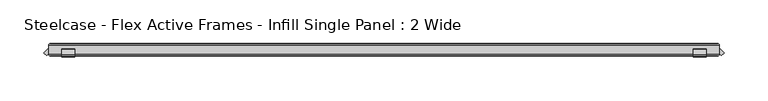
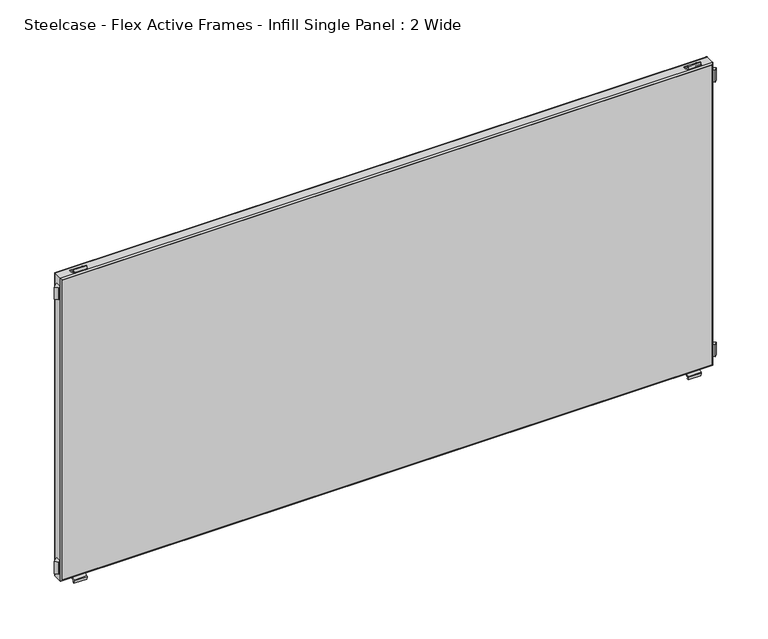
"""IFC4 building model written with IfcOpenShell, lengths in millimetres: furniture geometry, Steelcase - Flex Active Frames - Infill Single Panel : 2 Wide."""

from ifc_helpers import new_model, si_unit, point, frame, frame_2d, origin, place, context, project, spatial, polyline, circle_curve, ellipse_curve, trimmed, segment, composite_curve, outline, extrude, source, transform, mapped, element, save
from ifc_brep_helpers import plane_surface, cylinder_surface, advanced_brep


def steelcase_flex_active_frames_infill_single_panel_2_wide_625de233(model_context):
    return source(origin(), model_context, "Body", "SolidModel", [
        extrude(outline(composite_curve([segment(polyline([(5.9111802, 381.5885542), (-0.8975617, 384.065656)]), True, "CONTINUOUS"), segment(trimmed(circle_curve(frame_2d((-0.6921967, 384.6301374)), 0.6006779), [point((-0.8975617, 384.065656))], [point((-1.2842404, 384.7316172))], False, "CARTESIAN"), True, "CONTINUOUS"), segment(polyline([(-1.2842404, 384.7316172), (-0.6936424, 388.1772262), (0.7999207, 387.9155571), (0.4119794, 385.7147232)]), True, "CONTINUOUS"), segment(trimmed(circle_curve(frame_2d((1.0061566, 385.6099875)), 0.6033374), [point((0.4119794, 385.7147232))], [point((0.8009038, 385.0426363))], True, "CARTESIAN"), True, "CONTINUOUS"), segment(polyline([(0.8009038, 385.0426363), (7.3392807, 382.6772232)]), True, "CONTINUOUS"), segment(trimmed(circle_curve(frame_2d((6.994052, 381.7229562)), 1.0147947), [point((7.3392807, 382.6772232))], [point((7.999907, 381.5885542))], False, "CARTESIAN"), True, "CONTINUOUS"), segment(polyline([(7.999907, 381.5885542), (5.9111802, 381.5885542)]), True, "CONTINUOUS")], self_intersect=False)), frame((734.5162997, 0.0, 0.0), z_axis=(1.0, 0.0, 0.0), x_axis=(0.0, 1.0, 0.0)), (0.0, 0.0, 1.0), 15.0034447),
        extrude(outline(composite_curve([segment(polyline([(5.9110829, 6.5887186), (7.9997063, 6.5887186)]), True, "CONTINUOUS"), segment(trimmed(circle_curve(frame_2d((6.9941469, 6.4541073)), 1.0145294), [point((7.9997063, 6.5887186))], [point((7.3392807, 5.5000882))], False, "CARTESIAN"), True, "CONTINUOUS"), segment(polyline([(7.3392807, 5.5000882), (0.7777558, 3.1263368)]), True, "CONTINUOUS"), segment(trimmed(circle_curve(frame_2d((0.9730442, 2.5865202)), 0.5740553), [point((0.7777558, 3.1263368))], [point((0.4077045, 2.4868687))], True, "CARTESIAN"), True, "CONTINUOUS"), segment(polyline([(0.4077045, 2.4868687), (0.7999445, 0.2616253), (-0.6935028, -2.35e-05), (-1.2816187, 3.4297567)]), True, "CONTINUOUS"), segment(trimmed(circle_curve(frame_2d((-0.6705511, 3.5345385)), 0.6199861), [point((-1.2816187, 3.4297567))], [point((-0.8825145, 4.1171655))], False, "CARTESIAN"), True, "CONTINUOUS"), segment(polyline([(-0.8825145, 4.1171655), (5.9110829, 6.5887186)]), True, "CONTINUOUS")], self_intersect=False)), frame((734.5162997, 0.0, 0.0), z_axis=(1.0, 0.0, 0.0), x_axis=(0.0, 1.0, 0.0)), (0.0, 0.0, 1.0), 15.0034447),
        extrude(outline(composite_curve([segment(polyline([(5.9111802, 381.5885542), (-0.8975617, 384.065656)]), True, "CONTINUOUS"), segment(trimmed(circle_curve(frame_2d((-0.6921967, 384.6301374)), 0.6006779), [point((-0.8975617, 384.065656))], [point((-1.2842404, 384.7316172))], False, "CARTESIAN"), True, "CONTINUOUS"), segment(polyline([(-1.2842404, 384.7316172), (-0.6936424, 388.1772262), (0.7999207, 387.9155571), (0.4119794, 385.7147232)]), True, "CONTINUOUS"), segment(trimmed(circle_curve(frame_2d((1.0061566, 385.6099875)), 0.6033374), [point((0.4119794, 385.7147232))], [point((0.8009038, 385.0426363))], True, "CARTESIAN"), True, "CONTINUOUS"), segment(polyline([(0.8009038, 385.0426363), (7.3392807, 382.6772232)]), True, "CONTINUOUS"), segment(trimmed(circle_curve(frame_2d((6.994052, 381.7229562)), 1.0147947), [point((7.3392807, 382.6772232))], [point((7.999907, 381.5885542))], False, "CARTESIAN"), True, "CONTINUOUS"), segment(polyline([(7.999907, 381.5885542), (5.9111802, 381.5885542)]), True, "CONTINUOUS")], self_intersect=False)), frame((15.0199771, 0.0, 0.0), z_axis=(1.0, 0.0, 0.0), x_axis=(0.0, 1.0, 0.0)), (0.0, 0.0, 1.0), 15.0034326),
        extrude(outline(composite_curve([segment(polyline([(5.9110829, 6.5887186), (7.9997063, 6.5887186)]), True, "CONTINUOUS"), segment(trimmed(circle_curve(frame_2d((6.9941469, 6.4541073)), 1.0145294), [point((7.9997063, 6.5887186))], [point((7.3392807, 5.5000882))], False, "CARTESIAN"), True, "CONTINUOUS"), segment(polyline([(7.3392807, 5.5000882), (0.7777558, 3.1263368)]), True, "CONTINUOUS"), segment(trimmed(circle_curve(frame_2d((0.9730442, 2.5865202)), 0.5740553), [point((0.7777558, 3.1263368))], [point((0.4077045, 2.4868687))], True, "CARTESIAN"), True, "CONTINUOUS"), segment(polyline([(0.4077045, 2.4868687), (0.7999445, 0.2616253), (-0.6935028, -2.35e-05), (-1.2816187, 3.4297567)]), True, "CONTINUOUS"), segment(trimmed(circle_curve(frame_2d((-0.6705511, 3.5345385)), 0.6199861), [point((-1.2816187, 3.4297567))], [point((-0.8825145, 4.1171655))], False, "CARTESIAN"), True, "CONTINUOUS"), segment(polyline([(-0.8825145, 4.1171655), (5.9110829, 6.5887186)]), True, "CONTINUOUS")], self_intersect=False)), frame((15.0199771, 0.0, 0.0), z_axis=(1.0, 0.0, 0.0), x_axis=(0.0, 1.0, 0.0)), (0.0, 0.0, 1.0), 15.0034326),
        extrude(outline(polyline([(764.54, 2.5030965), (764.54, 7.9998993), (765.5774367, 7.9998993), (769.9843382, 3.5722626), (766.7436446, 0.3282745), (764.54, 2.5030965)])), frame((0.0, 0.0, 16.6556237), z_axis=(0.0, 0.0, 1.0), x_axis=(1.0, 0.0, 0.0)), (0.0, 0.0, 1.0), 14.9643454),
        extrude(outline(polyline([(0.0, 7.9997055), (0.0, 2.5031537), (-2.2038989, 0.3280807), (-5.4446047, 3.5720566), (-1.0377395, 7.9997055), (0.0, 7.9997055)])), frame((0.0, 0.0, 16.6556237), z_axis=(0.0, 0.0, 1.0), x_axis=(1.0, 0.0, 0.0)), (0.0, 0.0, 1.0), 14.9643454),
        extrude(outline(polyline([(764.54, 2.5030965), (764.54, 7.9998993), (765.5774367, 7.9998993), (769.9843382, 3.5722626), (766.7436446, 0.3282745), (764.54, 2.5030965)])), frame((0.0, 0.0, 356.5573544), z_axis=(0.0, 0.0, 1.0), x_axis=(1.0, 0.0, 0.0)), (0.0, 0.0, 1.0), 14.9650265),
        extrude(outline(polyline([(0.0, 7.9997055), (0.0, 2.5031537), (-2.2038989, 0.3280807), (-5.4446047, 3.5720566), (-1.0377395, 7.9997055), (0.0, 7.9997055)])), frame((0.0, 0.0, 356.5573544), z_axis=(0.0, 0.0, 1.0), x_axis=(1.0, 0.0, 0.0)), (0.0, 0.0, 1.0), 14.9650265),
        extrude(outline(polyline([(762.6075623, 13.9997269), (762.6075623, 0.0), (1.9324377, 0.0), (1.9324377, 13.9997269), (762.6075623, 13.9997269)])), frame((0.0, 0.0, 8.5211562), z_axis=(0.0, 0.0, 1.0), x_axis=(1.0, 0.0, 0.0)), (0.0, 0.0, 1.0), 371.1349603),
        advanced_brep(
        [(0.0, 12.0672892, 381.5885542), (0.0, 12.0672892, 6.5887186), (0.0, 1.9324377, 6.5887186), (0.0, 1.9324377, 381.5885542), (1.9324377, 0.0, 379.6561165), (1.9324377, 0.0, 8.5211562), (1.9324377, 13.9997269, 8.5211562), (1.9324377, 13.9997269, 379.6561165), (764.54, 12.0672892, 6.5887186), (764.54, 1.9324377, 6.5887186), (762.6075623, 0.0, 8.5211562), (762.6075623, 13.9997269, 8.5211562), (764.54, 12.0672892, 381.5885542), (764.54, 1.9324377, 381.5885542), (762.6075623, 0.0, 379.6561165), (762.6075623, 13.9997269, 379.6561165)],
        [
            (0, 1),
            (1, 2),
            (2, 3),
            (3, 0),
            (4, 5),
            (5, 6),
            (6, 7),
            (7, 4),
            (1, 8),
            (8, 9),
            (9, 2),
            (5, 10),
            (10, 11),
            (11, 6),
            (8, 12),
            (12, 13),
            (13, 9),
            (10, 14),
            (14, 15),
            (15, 11),
            (12, 0),
            (3, 13),
            (14, 4),
            (7, 15),
            (2, 5, ellipse_curve(frame((1.9324377, 1.9324377, 8.5211562), z_axis=(-0.7071067811865475, 0.0, 0.7071067811865475), x_axis=(0.7071067811865474, 0.0, 0.7071067811865476)), 2.7328796, 1.9324377)),
            (4, 3, ellipse_curve(frame((1.9324377, 1.9324377, 379.6561165), z_axis=(-0.7071067811865475, 0.0, -0.7071067811865475), x_axis=(-0.7071067811865474, 0.0, 0.7071067811865476)), 2.7328796, 1.9324377)),
            (6, 1, ellipse_curve(frame((1.9324377, 12.0672892, 8.5211562), z_axis=(-0.7071067811865475, 0.0, 0.7071067811865475), x_axis=(0.7071067811865474, 0.0, 0.7071067811865476)), 2.7328796, 1.9324377)),
            (0, 7, ellipse_curve(frame((1.9324377, 12.0672892, 379.6561165), z_axis=(-0.7071067811865475, 0.0, -0.7071067811865475), x_axis=(-0.7071067811865474, 0.0, 0.7071067811865476)), 2.7328796, 1.9324377)),
            (9, 10, ellipse_curve(frame((762.6075623, 1.9324377, 8.5211562), z_axis=(-0.7071067811865475, 0.0, -0.7071067811865475), x_axis=(-0.7071067811865476, 0.0, 0.7071067811865474)), 2.7328796, 1.9324377)),
            (11, 8, ellipse_curve(frame((762.6075623, 12.0672892, 8.5211562), z_axis=(-0.7071067811865475, 0.0, -0.7071067811865475), x_axis=(-0.7071067811865476, 0.0, 0.7071067811865474)), 2.7328796, 1.9324377)),
            (13, 14, ellipse_curve(frame((762.6075623, 1.9324377, 379.6561165), z_axis=(0.7071067811865475, 0.0, -0.7071067811865475), x_axis=(-0.7071067811865474, 0.0, -0.7071067811865476)), 2.7328796, 1.9324377)),
            (15, 12, ellipse_curve(frame((762.6075623, 12.0672892, 379.6561165), z_axis=(0.7071067811865475, 0.0, -0.7071067811865475), x_axis=(-0.7071067811865474, 0.0, -0.7071067811865476)), 2.7328796, 1.9324377)),
        ],
        [
            plane_surface(frame((0.0, 1.9324377, 381.5885542), z_axis=(-1.0, 0.0, 0.0), x_axis=(0.0, 0.0, -1.0))),
            plane_surface(frame((1.9324377, 13.9997269, 379.6561165), z_axis=(1.0, 0.0, 0.0), x_axis=(0.0, 0.0, -1.0))),
            plane_surface(frame((0.0, 1.9324377, 6.5887186), z_axis=(0.0, 0.0, -1.0), x_axis=(1.0, 0.0, 0.0))),
            plane_surface(frame((1.9324377, 13.9997269, 8.5211562), z_axis=(0.0, 0.0, 1.0), x_axis=(1.0, 0.0, 0.0))),
            plane_surface(frame((764.54, 1.9324377, 6.5887186), z_axis=(1.0, 0.0, 0.0), x_axis=(0.0, 0.0, 1.0))),
            plane_surface(frame((762.6075623, 13.9997269, 8.5211562), z_axis=(-1.0, 0.0, 0.0), x_axis=(0.0, 0.0, 1.0))),
            plane_surface(frame((764.54, 1.9324377, 381.5885542), z_axis=(0.0, 0.0, 1.0), x_axis=(-1.0, 0.0, 0.0))),
            plane_surface(frame((762.6075623, 13.9997269, 379.6561165), z_axis=(0.0, 0.0, -1.0), x_axis=(-1.0, 0.0, 0.0))),
            cylinder_surface(frame((1.9324377, 1.9324377, 381.5885542), z_axis=(0.0, 0.0, 1.0), x_axis=(1.0, 0.0, 0.0)), 1.9324377),
            cylinder_surface(frame((1.9324377, 12.0672892, 381.5885542), z_axis=(0.0, 0.0, 1.0), x_axis=(1.0, 0.0, 0.0)), 1.9324377),
            cylinder_surface(frame((0.0, 1.9324377, 8.5211562), z_axis=(-1.0, 0.0, 0.0), x_axis=(0.0, 0.0, 1.0)), 1.9324377),
            cylinder_surface(frame((0.0, 12.0672892, 8.5211562), z_axis=(-1.0, 0.0, 0.0), x_axis=(0.0, 0.0, 1.0)), 1.9324377),
            cylinder_surface(frame((762.6075623, 1.9324377, 6.5887186), z_axis=(0.0, 0.0, -1.0), x_axis=(-1.0, 0.0, 0.0)), 1.9324377),
            cylinder_surface(frame((762.6075623, 12.0672892, 6.5887186), z_axis=(0.0, 0.0, -1.0), x_axis=(-1.0, 0.0, 0.0)), 1.9324377),
            cylinder_surface(frame((764.54, 1.9324377, 379.6561165), z_axis=(1.0, 0.0, 0.0), x_axis=(0.0, 0.0, -1.0)), 1.9324377),
            cylinder_surface(frame((764.54, 12.0672892, 379.6561165), z_axis=(1.0, 0.0, 0.0), x_axis=(0.0, 0.0, -1.0)), 1.9324377),
        ],
        [
            (0, [[1, 2, 3, 4]]),
            (1, [[5, 6, 7, 8]]),
            (2, [[9, 10, 11, -2]]),
            (3, [[12, 13, 14, -6]]),
            (4, [[15, 16, 17, -10]]),
            (5, [[18, 19, 20, -13]]),
            (6, [[21, -4, 22, -16]]),
            (7, [[23, -8, 24, -19]]),
            (8, [[-3, 25, -5, 26]]),
            (9, [[-7, 27, -1, 28]]),
            (10, [[-11, 29, -12, -25]]),
            (11, [[-14, 30, -9, -27]]),
            (12, [[-17, 31, -18, -29]]),
            (13, [[-20, 32, -15, -30]]),
            (14, [[-22, -26, -23, -31]]),
            (15, [[-24, -28, -21, -32]]),
        ],
    ),
    ])


if __name__ == "__main__":
    model = new_model("IFC4")
    model_context = context("Model", 3, world=origin())
    ifc_project = project(units=[si_unit("LENGTHUNIT", "METRE", prefix="MILLI")], contexts=[model_context])
    site = spatial("IfcSite", under=ifc_project)
    building = spatial("IfcBuilding", under=site)
    placement = place(None, origin())
    steelcase_flex_active_frames_infill_single_panel_2_wide_shape = steelcase_flex_active_frames_infill_single_panel_2_wide_625de233(model_context)
    element("IfcFurniture", 1, ObjectType="Steelcase - Flex Active Frames - Infill Single Panel : 2 Wide", at=placement, inside=building, context=model_context, shape_type="MappedRepresentation", body=[
        mapped(steelcase_flex_active_frames_infill_single_panel_2_wide_shape, transform((0.0, 0.0, 0.0), x_axis=(1.0, 0.0, 0.0), y_axis=(0.0, 1.0, 0.0), z_axis=(0.0, 0.0, 1.0))),
    ])
    save(model, "model.ifc")
